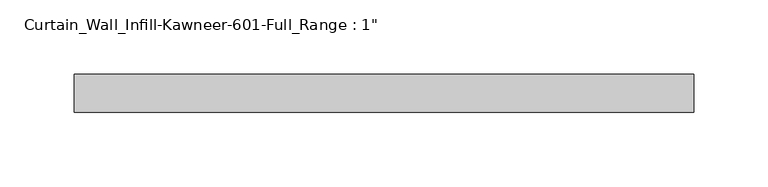
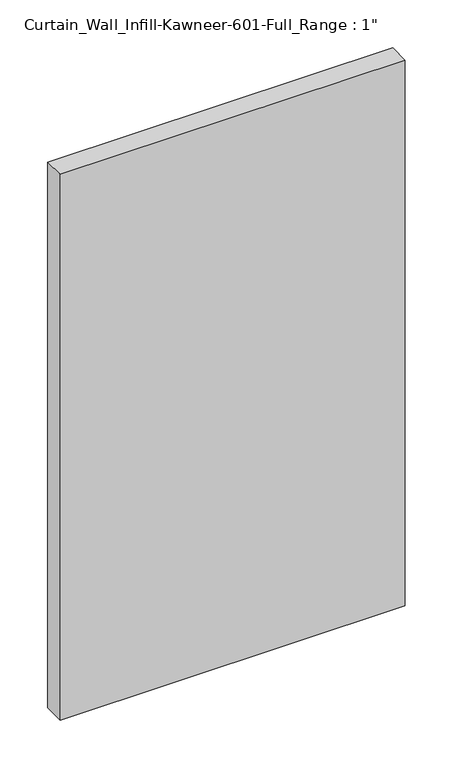
"""IFC4 building model written with IfcOpenShell, lengths in millimetres: plate geometry."""

from ifc_helpers import new_model, si_unit, origin, origin_with_axes, place, context, project, spatial, polyline, outline, extrude, source, transform, mapped, element, save


def plate_4bc680dc(model_context):
    return source(origin(), model_context, "Body", "SweptSolid", [
        extrude(outline(polyline([(-207.9625, -12.7), (-207.9625, 12.7), (207.9625, 12.7), (207.9625, -12.7), (-207.9625, -12.7)])), origin_with_axes(), (0.0, 0.0, 1.0), 695.325),
    ])


if __name__ == "__main__":
    model = new_model("IFC4")
    model_context = context("Model", 3, world=origin())
    ifc_project = project(units=[si_unit("LENGTHUNIT", "METRE", prefix="MILLI")], contexts=[model_context])
    site = spatial("IfcSite", under=ifc_project)
    building = spatial("IfcBuilding", under=site)
    placement = place(None, origin())
    plate_shape = plate_4bc680dc(model_context)
    element("IfcPlate", 1, ObjectType="Curtain_Wall_Infill-Kawneer-601-Full_Range : 1\"", at=placement, inside=building, context=model_context, shape_type="MappedRepresentation", body=[
        mapped(plate_shape, transform((0.0, 0.0, 0.0), x_axis=(1.0, 0.0, 0.0), y_axis=(0.0, 1.0, 0.0), z_axis=(0.0, 0.0, 1.0))),
    ])
    save(model, "model.ifc")
